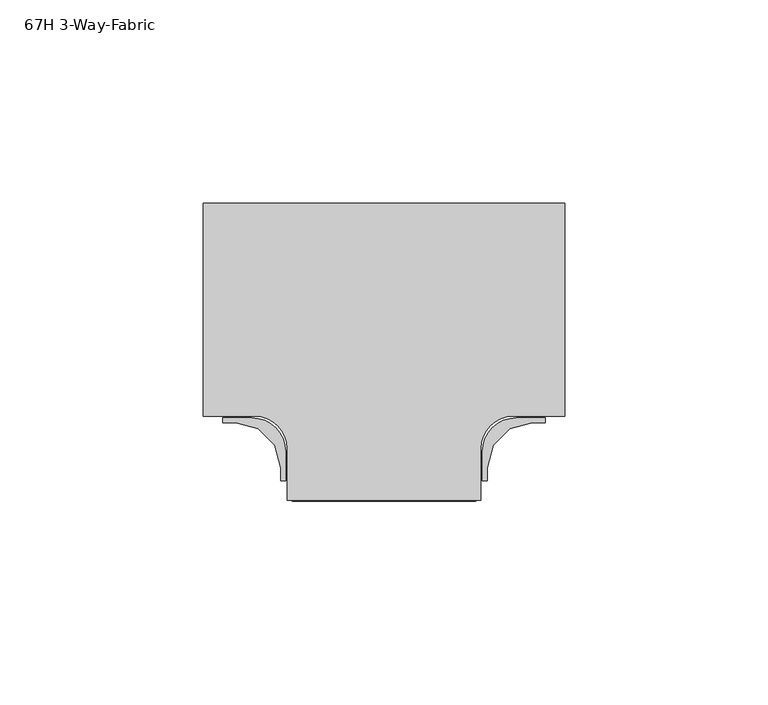
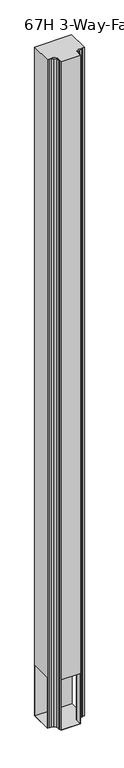
"""IFC4 building model written with IfcOpenShell, lengths in millimetres: furniture geometry, 67H 3-Way-Fabric."""

from ifc_helpers import new_model, si_unit, point, frame, frame_2d, origin, place, context, project, spatial, polyline, circle_curve, trimmed, segment, composite_curve, outline, extrude, source, transform, mapped, element, save
from ifc_brep_helpers import plane_surface, cylinder_surface, revolved_surface, advanced_brep


def furniture_67h_3_way_fabric_62fd51fa(model_context):
    return source(origin(), model_context, "Body", "SolidModel", [
        extrude(outline(composite_curve([segment(polyline([(31.7500015, -15.6479256), (30.5568331, -15.6479256), (30.5568331, -8.4848759)]), True, "CONTINUOUS"), segment(trimmed(circle_curve(frame_2d((38.8750832, -8.4848759)), 8.3182501), [point((30.5568331, -8.4848759))], [point((38.8750832, -0.1666258))], False, "CARTESIAN"), True, "CONTINUOUS"), segment(polyline([(38.8750832, -0.1666258), (46.037497, -0.1666258), (46.037497, -1.3597897), (42.8250386, -1.3604256), (37.2878357, -2.8441105), (33.2343222, -6.897624), (31.7506328, -12.4348223), (31.7500015, -15.6479256)]), True, "CONTINUOUS")], self_intersect=False)), frame((0.0, 0.0, 9.779), z_axis=(0.0, 0.0, 1.0), x_axis=(1.0, 0.0, 0.0)), (0.0, 0.0, 1.0), 1695.1959758),
        extrude(outline(composite_curve([segment(polyline([(-19.0500045, -15.6479256), (-19.0506359, -12.4348223), (-20.5343253, -6.897624), (-24.5878388, -2.8441105), (-30.1250417, -1.3604256), (-33.3375, -1.3597897), (-33.3375, -0.1666258), (-26.1750862, -0.1666258)]), True, "CONTINUOUS"), segment(trimmed(circle_curve(frame_2d((-26.1750862, -8.4848759)), 8.3182501), [point((-26.1750862, -0.1666258))], [point((-17.8568361, -8.4848759))], False, "CARTESIAN"), True, "CONTINUOUS"), segment(polyline([(-17.8568361, -8.4848759), (-17.8568361, -15.6479256), (-19.0500045, -15.6479256)]), True, "CONTINUOUS")], self_intersect=False)), frame((0.0, 0.0, 9.779), z_axis=(0.0, 0.0, 1.0), x_axis=(1.0, 0.0, 0.0)), (0.0, 0.0, 1.0), 1695.1959758),
        advanced_brep(
        [(-38.1, 52.614576, 1704.9749758), (-38.1, 0.2270774, 1704.9749758), (-25.3999996, 0.2270774, 1704.9749758), (-17.4618657, -7.7110565, 1704.9749758), (-17.4618657, -20.410424, 1704.9749758), (30.1618626, -20.410424, 1704.9749758), (30.1618626, -7.7110565, 1704.9749758), (38.0999966, 0.2270774, 1704.9749758), (50.799997, 0.2270774, 1704.9749758), (50.799997, 52.614576, 1704.9749758), (-38.1, 52.614576, 9.525), (50.799997, 52.614576, 9.525), (50.799997, 0.2270774, 9.525), (38.0999966, 0.2270774, 9.525), (30.1618626, -7.7110565, 9.525), (30.1618626, -20.410424, 9.525), (-17.4618657, -20.410424, 9.525), (-17.4618657, -7.7110565, 9.525), (-25.3999996, 0.2270774, 9.525), (-38.1, 0.2270774, 9.525), (-38.1, 51.344576, 136.525), (-38.1, 1.4970774, 136.525), (-38.1, 1.4970774, 9.779), (-38.1, 51.344576, 9.779), (-16.1918657, -20.410424, 136.525), (28.8918626, -20.410424, 136.525), (28.8918626, -20.410424, 9.779), (-16.1918657, -20.410424, 9.779), (50.799997, 1.4970774, 136.525), (50.799997, 51.344576, 136.525), (50.799997, 51.344576, 9.779), (50.799997, 1.4970774, 9.779), (38.0999966, 1.4970774, 136.525), (28.8918626, -7.7110565, 136.525), (-16.1918657, -7.7110565, 136.525), (-25.3999996, 1.4970774, 136.525), (-25.3999996, 1.4970774, 9.779), (-16.1918657, -7.7110565, 9.779), (28.8918626, -7.7110565, 9.779), (38.0999966, 1.4970774, 9.779)],
        [
            (0, 1),
            (1, 2),
            (2, 3, circle_curve(frame((-25.3999996, -7.7110565, 1704.9749758), z_axis=(0.0, 0.0, -1.0), x_axis=(1.0, 0.0, 0.0)), 7.938134)),
            (3, 4),
            (4, 5),
            (5, 6),
            (6, 7, circle_curve(frame((38.0999966, -7.7110565, 1704.9749758), z_axis=(0.0, 0.0, -1.0), x_axis=(1.0, 0.0, 0.0)), 7.938134)),
            (7, 8),
            (8, 9),
            (9, 0),
            (10, 11),
            (11, 12),
            (12, 13),
            (13, 14, circle_curve(frame((38.0999966, -7.7110565, 9.525), z_axis=(0.0, 0.0, 1.0), x_axis=(1.0, 0.0, 0.0)), 7.938134)),
            (14, 15),
            (15, 16),
            (16, 17),
            (17, 18, circle_curve(frame((-25.3999996, -7.7110565, 9.525), z_axis=(0.0, 0.0, 1.0), x_axis=(1.0, 0.0, 0.0)), 7.938134)),
            (18, 19),
            (19, 10),
            (0, 10),
            (19, 1),
            (20, 21),
            (21, 22),
            (22, 23),
            (23, 20),
            (4, 16),
            (15, 5),
            (24, 25),
            (25, 26),
            (26, 27),
            (27, 24),
            (8, 12),
            (11, 9),
            (28, 29),
            (29, 30),
            (30, 31),
            (31, 28),
            (18, 2),
            (17, 3),
            (14, 6),
            (13, 7),
            (32, 33, circle_curve(frame((38.0999966, -7.7110565, 136.525), z_axis=(0.0, 0.0, 1.0), x_axis=(1.0, 0.0, 0.0)), 9.208134)),
            (33, 25),
            (24, 34),
            (34, 35, circle_curve(frame((-25.3999996, -7.7110565, 136.525), z_axis=(0.0, 0.0, 1.0), x_axis=(1.0, 0.0, 0.0)), 9.208134)),
            (35, 21),
            (20, 29),
            (28, 32),
            (36, 37, circle_curve(frame((-25.3999996, -7.7110565, 9.779), z_axis=(0.0, 0.0, -1.0), x_axis=(1.0, 0.0, 0.0)), 9.208134)),
            (37, 27),
            (26, 38),
            (38, 39, circle_curve(frame((38.0999966, -7.7110565, 9.779), z_axis=(0.0, 0.0, -1.0), x_axis=(1.0, 0.0, 0.0)), 9.208134)),
            (39, 31),
            (30, 23),
            (22, 36),
            (35, 36),
            (34, 37),
            (33, 38),
            (32, 39),
        ],
        [
            plane_surface(frame((-38.1, 52.614576, 1704.9749758), z_axis=(0.0, 0.0, 1.0), x_axis=(0.0, -1.0, 0.0))),
            plane_surface(frame((-38.1, 52.614576, 9.525), z_axis=(0.0, 0.0, -1.0), x_axis=(0.0, 1.0, 0.0))),
            plane_surface(frame((-38.1, 52.614576, 1704.9749758), z_axis=(-1.0, 0.0, 0.0), x_axis=(0.0, 0.0, -1.0))),
            plane_surface(frame((-17.4618657, -20.410424, 1704.9749758), z_axis=(0.0, -1.0, 0.0), x_axis=(0.0, 0.0, -1.0))),
            plane_surface(frame((50.799997, 0.2270774, 1704.9749758), z_axis=(1.0, 0.0, 0.0), x_axis=(0.0, 0.0, -1.0))),
            plane_surface(frame((50.799997, 52.614576, 1704.9749758), z_axis=(0.0, 1.0, 0.0), x_axis=(0.0, 0.0, -1.0))),
            plane_surface(frame((-38.1, 0.2270774, 1704.9749758), z_axis=(0.0, -1.0, 0.0), x_axis=(0.0, 0.0, -1.0))),
            revolved_surface(polyline([(-17.461865600000003, -7.7110565, 9.525), (-17.461865600000003, -7.7110565, 1704.9749758)]), (-25.3999996, -7.7110565, 9.525), (0.0, 0.0, -1.0)),
            plane_surface(frame((-17.4618657, -7.7110565, 1704.9749758), z_axis=(-1.0, 0.0, 0.0), x_axis=(0.0, 0.0, -1.0))),
            plane_surface(frame((30.1618626, -20.410424, 1704.9749758), z_axis=(1.0, 0.0, 0.0), x_axis=(0.0, 0.0, -1.0))),
            revolved_surface(polyline([(46.038130599999995, -7.7110565, 9.525), (46.038130599999995, -7.7110565, 1704.9749758)]), (38.0999966, -7.7110565, 9.525), (0.0, 0.0, -1.0)),
            plane_surface(frame((38.0999966, 0.2270774, 1704.9749758), z_axis=(0.0, -1.0, 0.0), x_axis=(0.0, 0.0, -1.0))),
            plane_surface(frame((-43.18, 51.344576, 136.525), z_axis=(0.0, 0.0, -1.0), x_axis=(0.0, -1.0, 0.0))),
            plane_surface(frame((-43.18, 51.344576, 9.779), z_axis=(0.0, 0.0, 1.0), x_axis=(0.0, 1.0, 0.0))),
            plane_surface(frame((-43.18, 1.4970774, 136.525), z_axis=(0.0, 1.0, 0.0), x_axis=(0.0, 0.0, -1.0))),
            cylinder_surface(frame((-25.3999996, -7.7110565, 9.779), z_axis=(0.0, 0.0, -1.0), x_axis=(1.0, 0.0, 0.0)), 9.208134),
            plane_surface(frame((-16.1918657, -7.7110565, 136.525), z_axis=(1.0, 0.0, 0.0), x_axis=(0.0, 0.0, -1.0))),
            plane_surface(frame((28.8918626, -23.7122902, 136.525), z_axis=(-1.0, 0.0, 0.0), x_axis=(0.0, 0.0, -1.0))),
            cylinder_surface(frame((38.0999966, -7.7110565, 9.779), z_axis=(0.0, 0.0, -1.0), x_axis=(1.0, 0.0, 0.0)), 9.208134),
            plane_surface(frame((38.0999966, 1.4970774, 136.525), z_axis=(0.0, 1.0, 0.0), x_axis=(0.0, 0.0, -1.0))),
            plane_surface(frame((54.292497, 51.344576, 136.525), z_axis=(0.0, -1.0, 0.0), x_axis=(0.0, 0.0, -1.0))),
        ],
        [
            (0, [[1, 2, 3, 4, 5, 6, 7, 8, 9, 10]]),
            (1, [[11, 12, 13, 14, 15, 16, 17, 18, 19, 20]]),
            (2, [[-1, 21, -20, 22], [23, 24, 25, 26]]),
            (3, [[-5, 27, -16, 28], [29, 30, 31, 32]]),
            (4, [[-9, 33, -12, 34], [35, 36, 37, 38]]),
            (5, [[-10, -34, -11, -21]]),
            (6, [[-2, -22, -19, 39]]),
            (7, [[-3, -39, -18, 40]]),
            (8, [[-4, -40, -17, -27]]),
            (9, [[-6, -28, -15, 41]]),
            (10, [[-7, -41, -14, 42]]),
            (11, [[-8, -42, -13, -33]]),
            (12, [[43, 44, -29, 45, 46, 47, -23, 48, -35, 49]]),
            (13, [[50, 51, -31, 52, 53, 54, -37, 55, -25, 56]]),
            (14, [[57, -56, -24, -47]]),
            (15, [[-46, 58, -50, -57]]),
            (16, [[-58, -45, -32, -51]]),
            (17, [[59, -52, -30, -44]]),
            (18, [[-43, 60, -53, -59]]),
            (19, [[-60, -49, -38, -54]]),
            (20, [[-48, -26, -55, -36]]),
        ],
    ),
    ])


if __name__ == "__main__":
    model = new_model("IFC4")
    model_context = context("Model", 3, world=origin())
    ifc_project = project(units=[si_unit("LENGTHUNIT", "METRE", prefix="MILLI")], contexts=[model_context])
    site = spatial("IfcSite", under=ifc_project)
    building = spatial("IfcBuilding", under=site)
    placement = place(None, origin())
    furniture_67h_3_way_fabric_shape = furniture_67h_3_way_fabric_62fd51fa(model_context)
    element("IfcFurniture", 1, ObjectType="67H 3-Way-Fabric", at=placement, inside=building, context=model_context, shape_type="MappedRepresentation", body=[
        mapped(furniture_67h_3_way_fabric_shape, transform((0.0, 0.0, 0.0), x_axis=(1.0, 0.0, 0.0), y_axis=(0.0, 1.0, 0.0), z_axis=(0.0, 0.0, 1.0))),
    ])
    save(model, "model.ifc")
